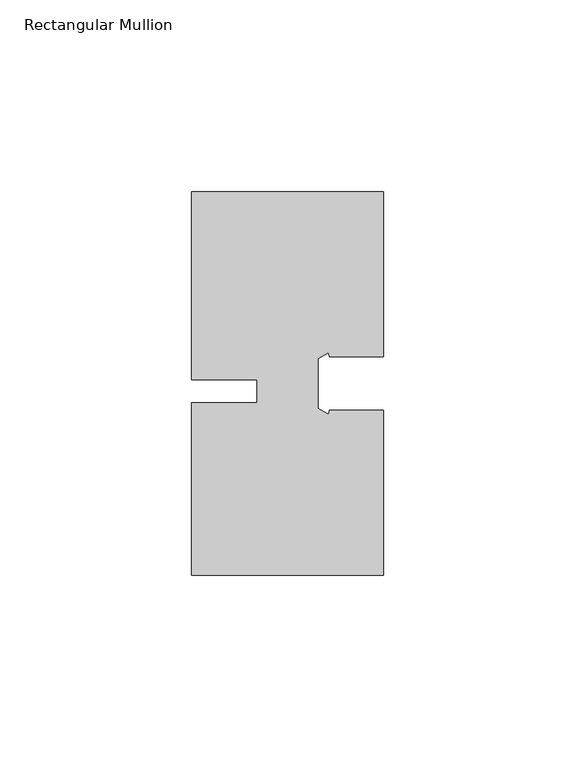
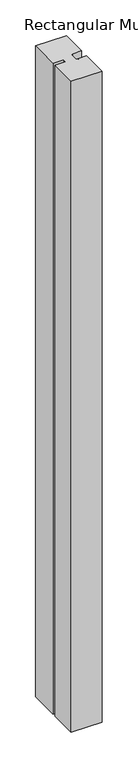
"""IFC4 building model written with IfcOpenShell, lengths in millimetres: member geometry, Rectangular Mullion."""

from ifc_helpers import new_model, si_unit, frame, origin, place, context, project, spatial, polyline, outline, extrude, source, transform, mapped, element, save


def rectangular_mullion_82875416(model_context):
    return source(origin(), model_context, "Body", "SweptSolid", [
        extrude(outline(polyline([(-8.0004617, -3.0000086), (-8.0004589, 3.0000086), (-24.9999972, 3.0000166), (-24.9999743, 51.9999993), (24.9999791, 51.9999711), (24.9999791, 8.9999556), (11.0000028, 8.9999556), (10.7320523, 9.9999622), (8.0, 8.4226128), (8.0, -4.4227193), (10.7320448, -6.0000678), (11.0000008, -5.0000444), (24.9999791, -5.0000444), (24.9999791, -48.000024), (-25.0000209, -48.0000007), (-25.0, -3.0000007), (-8.0004617, -3.0000086)])), frame((0.0, 0.0, -1112.4999877), z_axis=(0.0, 0.0, 1.0), x_axis=(1.0, 0.0, 0.0)), (0.0, 0.0, 1.0), 1112.4999877),
    ])


if __name__ == "__main__":
    model = new_model("IFC4")
    model_context = context("Model", 3, world=origin())
    ifc_project = project(units=[si_unit("LENGTHUNIT", "METRE", prefix="MILLI")], contexts=[model_context])
    site = spatial("IfcSite", under=ifc_project)
    building = spatial("IfcBuilding", under=site)
    placement = place(None, origin())
    rectangular_mullion_shape = rectangular_mullion_82875416(model_context)
    element("IfcMember", 1, ObjectType="Rectangular Mullion", at=placement, inside=building, context=model_context, shape_type="MappedRepresentation", body=[
        mapped(rectangular_mullion_shape, transform((0.0, 0.0, 0.0), x_axis=(1.0, 0.0, 0.0), y_axis=(0.0, 1.0, 0.0), z_axis=(0.0, 0.0, 1.0))),
    ])
    save(model, "model.ifc")
